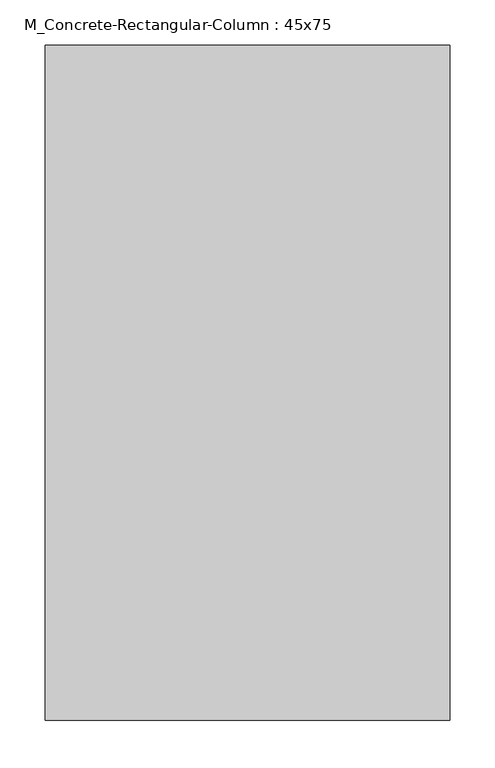
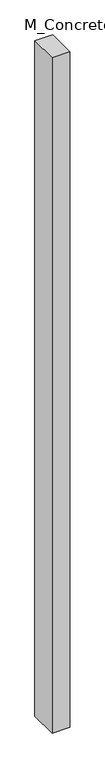
"""IFC4 building model written with IfcOpenShell, lengths in millimetres: column geometry, M_Concrete-Rectangular-Column : 45x75."""

from ifc_helpers import new_model, si_unit, origin, origin_with_axes, place, context, project, spatial, polyline, outline, extrude, source, transform, mapped, element, save


def m_concrete_rectangular_column_45x75_b1f7ded0(model_context):
    return source(origin(), model_context, "Body", "SweptSolid", [
        extrude(outline(polyline([(225.0, 375.0), (225.0, -375.0), (-225.0, -375.0), (-225.0, 375.0), (225.0, 375.0)])), origin_with_axes(), (0.0, 0.0, 1.0), 18000.0),
    ])


if __name__ == "__main__":
    model = new_model("IFC4")
    model_context = context("Model", 3, world=origin())
    ifc_project = project(units=[si_unit("LENGTHUNIT", "METRE", prefix="MILLI")], contexts=[model_context])
    site = spatial("IfcSite", under=ifc_project)
    building = spatial("IfcBuilding", under=site)
    placement = place(None, origin())
    m_concrete_rectangular_column_45x75_shape = m_concrete_rectangular_column_45x75_b1f7ded0(model_context)
    element("IfcColumn", 1, ObjectType="M_Concrete-Rectangular-Column : 45x75", at=placement, inside=building, context=model_context, shape_type="MappedRepresentation", body=[
        mapped(m_concrete_rectangular_column_45x75_shape, transform((0.0, 0.0, 0.0), x_axis=(1.0, 0.0, 0.0), y_axis=(0.0, 1.0, 0.0), z_axis=(0.0, 0.0, 1.0))),
    ])
    save(model, "model.ifc")
